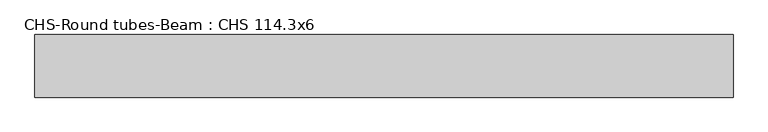
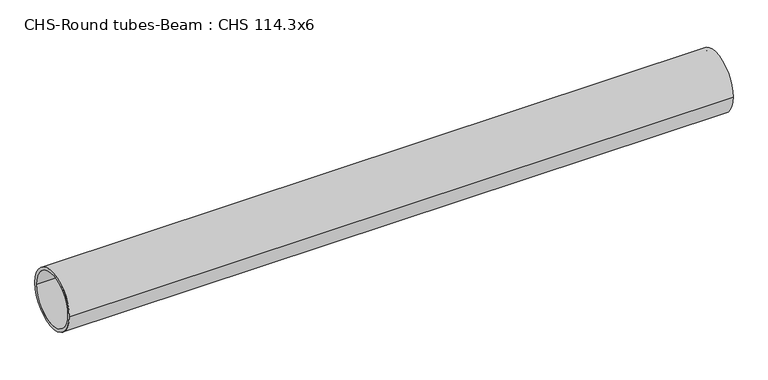
"""IFC4 building model written with IfcOpenShell, lengths in millimetres: beam geometry, CHS-Round tubes-Beam : CHS 114.3x6."""

from ifc_helpers import new_model, si_unit, point, frame, origin, origin_2d, place, context, project, spatial, circle_curve, trimmed, segment, composite_curve, outline, extrude, source, transform, mapped, element, save


def chs_round_tubes_beam_chs_114_3x6_77a521de(model_context):
    return source(origin(), model_context, "Body", "SweptSolid", [
        extrude(outline(composite_curve([segment(trimmed(circle_curve(origin_2d(), 57.15), [point((57.15, 0.0))], [point((-57.15, 0.0))], False, "CARTESIAN"), True, "CONTINUOUS"), segment(trimmed(circle_curve(origin_2d(), 57.15), [point((-57.15, 0.0))], [point((57.15, 0.0))], False, "CARTESIAN"), True, "CONTINUOUS")], self_intersect=False), holes=[composite_curve([segment(trimmed(circle_curve(origin_2d(), 51.15), [point((51.15, 0.0))], [point((-51.15, 0.0))], True, "CARTESIAN"), True, "CONTINUOUS"), segment(trimmed(circle_curve(origin_2d(), 51.15), [point((-51.15, 0.0))], [point((51.15, 0.0))], True, "CARTESIAN"), True, "CONTINUOUS")], self_intersect=False)]), frame((-639.7714145, 0.0, 0.0), z_axis=(1.0, 0.0, 0.0), x_axis=(0.0, 1.0, 0.0)), (0.0, 0.0, 1.0), 1274.3500771),
    ])


if __name__ == "__main__":
    model = new_model("IFC4")
    model_context = context("Model", 3, world=origin())
    ifc_project = project(units=[si_unit("LENGTHUNIT", "METRE", prefix="MILLI")], contexts=[model_context])
    site = spatial("IfcSite", under=ifc_project)
    building = spatial("IfcBuilding", under=site)
    placement = place(None, origin())
    chs_round_tubes_beam_chs_114_3x6_shape = chs_round_tubes_beam_chs_114_3x6_77a521de(model_context)
    element("IfcBeam", 1, ObjectType="CHS-Round tubes-Beam : CHS 114.3x6", at=placement, inside=building, context=model_context, shape_type="MappedRepresentation", body=[
        mapped(chs_round_tubes_beam_chs_114_3x6_shape, transform((0.0, 0.0, 0.0), x_axis=(1.0, 0.0, 0.0), y_axis=(0.0, 1.0, 0.0), z_axis=(0.0, 0.0, 1.0))),
    ])
    save(model, "model.ifc")
